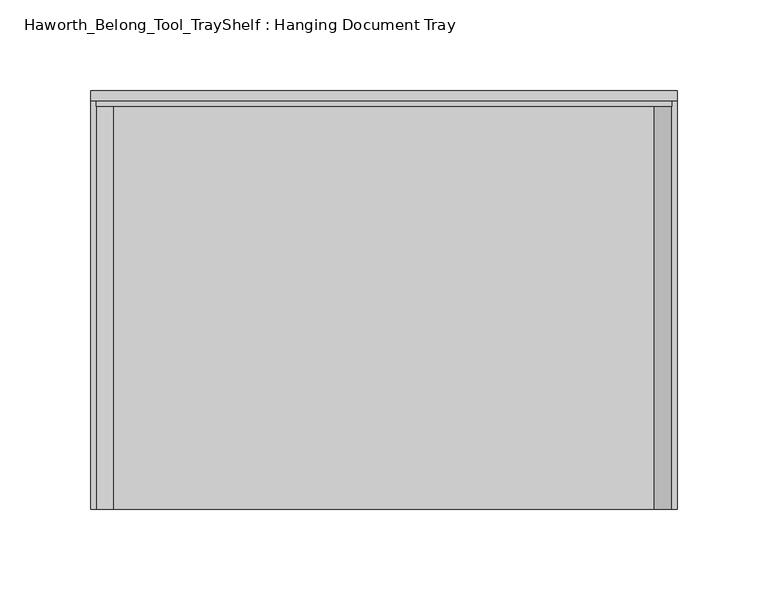
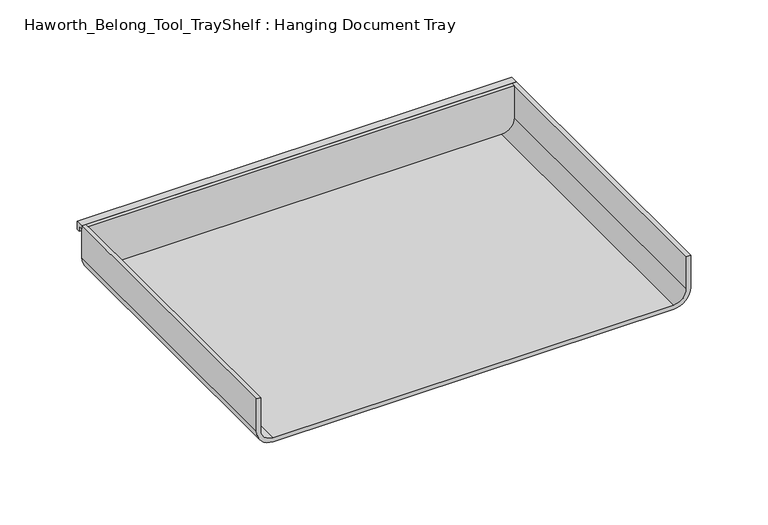
"""IFC4 building model written with IfcOpenShell, lengths in millimetres: furniture geometry, Haworth_Belong_Tool_TrayShelf : Hanging Document Tray."""

from ifc_helpers import new_model, si_unit, point, frame, frame_2d, origin, place, context, project, spatial, polyline, circle_curve, trimmed, segment, composite_curve, outline, extrude, source, transform, mapped, element, save


def haworth_belong_tool_trayshelf_hanging_document_tray_419b277c(model_context):
    return source(origin(), model_context, "Body", "SweptSolid", [
        extrude(outline(polyline([(3.175, 35.71875), (0.0, 35.71875), (0.0, 38.1), (5.55625, 38.1), (5.55625, 31.75), (3.175, 31.75), (3.175, 35.71875)])), frame((3.175, 0.0, 0.0), z_axis=(1.0, 0.0, 0.0), x_axis=(0.0, 1.0, 0.0)), (0.0, 0.0, 1.0), 323.85),
        extrude(outline(composite_curve([segment(polyline([(38.1, 323.85), (38.1, 6.35), (12.7, 6.35)]), True, "CONTINUOUS"), segment(trimmed(circle_curve(frame_2d((12.7, 15.875)), 9.525), [point((12.7, 6.35))], [point((3.175, 15.875))], False, "CARTESIAN"), True, "CONTINUOUS"), segment(polyline([(3.175, 15.875), (3.175, 314.325)]), True, "CONTINUOUS"), segment(trimmed(circle_curve(frame_2d((12.7, 314.325)), 9.525), [point((3.175, 314.325))], [point((12.7, 323.85))], False, "CARTESIAN"), True, "CONTINUOUS"), segment(polyline([(12.7, 323.85), (38.1, 323.85)]), True, "CONTINUOUS")], self_intersect=False)), frame((0.0, -3.175, 0.0), z_axis=(0.0, 1.0, 0.0), x_axis=(0.0, 0.0, 1.0)), (0.0, 0.0, 1.0), 3.175),
        extrude(outline(composite_curve([segment(polyline([(38.1, 3.175), (12.7, 3.175)]), True, "CONTINUOUS"), segment(trimmed(circle_curve(frame_2d((12.7, 15.875)), 12.7), [point((12.7, 3.175))], [point((0.0, 15.875))], False, "CARTESIAN"), True, "CONTINUOUS"), segment(polyline([(0.0, 15.875), (0.0, 314.325)]), True, "CONTINUOUS"), segment(trimmed(circle_curve(frame_2d((12.7, 314.325)), 12.7), [point((0.0, 314.325))], [point((12.7, 327.025))], False, "CARTESIAN"), True, "CONTINUOUS"), segment(polyline([(12.7, 327.025), (38.1, 327.025), (38.1, 323.85), (12.7, 323.85)]), True, "CONTINUOUS"), segment(trimmed(circle_curve(frame_2d((12.7, 314.325)), 9.525), [point((12.7, 323.85))], [point((3.175, 314.325))], True, "CARTESIAN"), True, "CONTINUOUS"), segment(polyline([(3.175, 314.325), (3.175, 15.875)]), True, "CONTINUOUS"), segment(trimmed(circle_curve(frame_2d((12.7, 15.875)), 9.525), [point((3.175, 15.875))], [point((12.7, 6.35))], True, "CARTESIAN"), True, "CONTINUOUS"), segment(polyline([(12.7, 6.35), (38.1, 6.35), (38.1, 3.175)]), True, "CONTINUOUS")], self_intersect=False)), frame((0.0, -225.425, 0.0), z_axis=(0.0, 1.0, 0.0), x_axis=(0.0, 0.0, 1.0)), (0.0, 0.0, 1.0), 225.425),
    ])


if __name__ == "__main__":
    model = new_model("IFC4")
    model_context = context("Model", 3, world=origin())
    ifc_project = project(units=[si_unit("LENGTHUNIT", "METRE", prefix="MILLI")], contexts=[model_context])
    site = spatial("IfcSite", under=ifc_project)
    building = spatial("IfcBuilding", under=site)
    placement = place(None, origin())
    haworth_belong_tool_trayshelf_hanging_document_tray_shape = haworth_belong_tool_trayshelf_hanging_document_tray_419b277c(model_context)
    element("IfcFurniture", 1, ObjectType="Haworth_Belong_Tool_TrayShelf : Hanging Document Tray", at=placement, inside=building, context=model_context, shape_type="MappedRepresentation", body=[
        mapped(haworth_belong_tool_trayshelf_hanging_document_tray_shape, transform((0.0, 0.0, 0.0), x_axis=(1.0, 0.0, 0.0), y_axis=(0.0, 1.0, 0.0), z_axis=(0.0, 0.0, 1.0))),
    ])
    save(model, "model.ifc")
